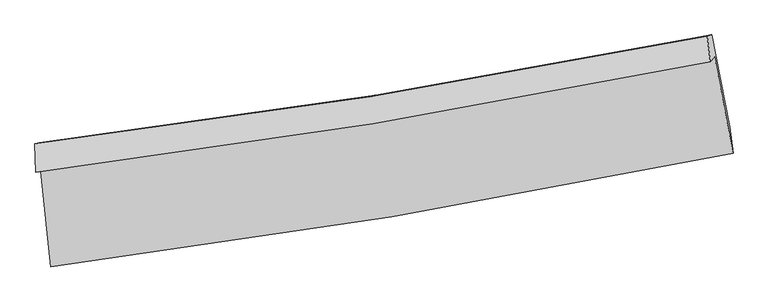
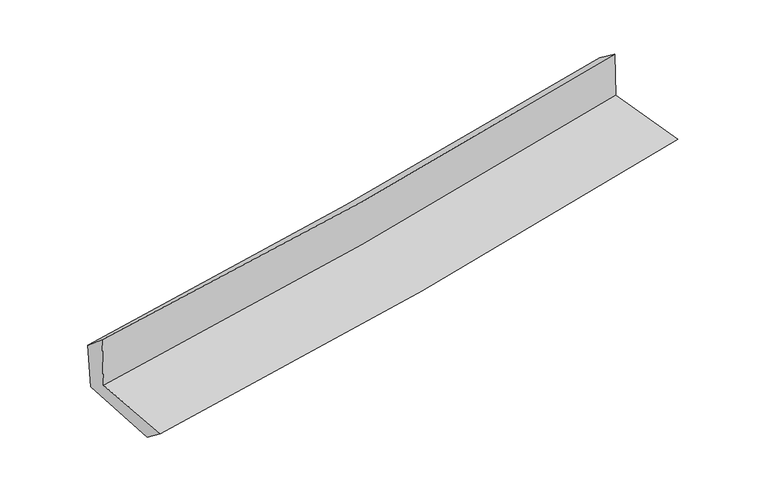
"""IFC4 building model written with IfcOpenShell, lengths in millimetres: proxy geometry."""

from ifc_helpers import new_model, si_unit, frame, origin, place, context, project, spatial, source, transform, mapped, element, save
from ifc_brep_helpers import plane_surface, spline_curve, spline_surface, advanced_brep


def generic_models_495edd54(model_context):
    return source(origin(), model_context, "Body", "AdvancedBrep", [
        advanced_brep(
        [(-2290.8615328, -1859.9924377, 1694.3124672), (-2222.5715119, -2533.9285786, 1670.1013216), (2371.3875381, -1767.7619678, 2091.746556), (2246.3466032, -1119.0436976, 2118.5773889), (-2322.935974, -1895.945467, 2114.5109921), (2218.3550948, -1152.0323284, 2496.2698076), (-2328.0857225, -1705.893523, 1954.8523986), (2197.4301042, -981.3380838, 2371.1682761), (-2297.6305361, -1696.9757493, 1585.1185559), (2228.6473298, -971.9858769, 2007.1773905), (-2228.2336665, -2358.7924764, 1533.7893648), (2348.7667183, -1591.06762, 1972.8444714)],
        [
            (0, 1),
            (1, 2, spline_curve(3, [(-2222.5715119, -2533.9285786, 1670.1013216), (-1454.12172895, -2435.03941551, 1735.970759934), (-688.725509906, -2322.088150205, 1803.880173986), (842.647987417, -2066.947101566, 1944.392634399), (1608.571451673, -1924.509496618, 2017.031631624), (2371.3875381, -1767.7619678, 2091.746556)], [4, 2, 4], [0.0, 7.590824037200514, 15.248243913029338])),
            (2, 3),
            (3, 0, spline_curve(3, [(2246.3466032, -1119.0436976, 2118.5773889), (1491.685395826, -1273.675150505, 2046.107940112), (734.592205468, -1412.939452939, 1974.366558925), (-777.852624038, -1659.656235137, 1832.957527184), (-1533.162145844, -1767.37484607, 1763.277267975), (-2290.8615328, -1859.9924377, 1694.3124672)], [4, 2, 4], [0.0, 7.657419875828824, 15.248243913029338])),
            (4, 0),
            (3, 5),
            (5, 4, spline_curve(3, [(2218.3550948, -1152.0323284, 2496.2698076), (1463.710202932, -1306.646244521, 2422.283997539), (706.281912069, -1446.151012643, 2353.36093039), (-807.529980867, -1693.860395905, 2226.19566926), (-1563.865379492, -1802.326674205, 2167.865797975), (-2322.935974, -1895.945467, 2114.5109921)], [4, 2, 4], [0.0, 7.609027219843939, 15.151879467299246])),
            (6, 4),
            (5, 7),
            (7, 6, spline_curve(3, [(2197.4301042, -981.3380838, 2371.1682761), (1443.854630685, -1131.697741876, 2301.601845137), (688.284825103, -1267.457407877, 2231.973852487), (-820.254988806, -1508.723042377, 2093.200827213), (-1573.190458599, -1614.481856, 2024.0568608), (-2328.0857225, -1705.893523, 1954.8523986)], [4, 2, 4], [0.0, 7.596719457136325, 15.127370981303617])),
            (8, 6),
            (7, 9),
            (9, 8, spline_curve(3, [(2228.6473298, -971.9858769, 2007.1773905), (1475.6559221, -1122.080752558, 1928.385917844), (720.312814679, -1257.745125486, 1853.682780111), (-788.487201166, -1499.158506494, 1713.067304387), (-1541.903382456, -1605.157424456, 1647.084163915), (-2297.6305361, -1696.9757493, 1585.1185559)], [4, 2, 4], [0.0, 7.584923822985827, 15.10388229848979])),
            (10, 8),
            (9, 11),
            (11, 10, spline_curve(3, [(2348.7667183, -1591.06762, 1972.8444714), (1588.48717215, -1747.255124144, 1894.776870926), (825.25203219, -1889.544930541, 1819.005333563), (-700.465948227, -2145.212533335, 1672.693395112), (-1462.897603412, -2258.83101243, 1602.113230146), (-2228.2336665, -2358.7924764, 1533.7893648)], [4, 2, 4], [0.0, 7.6339799004224815, 15.201567817411345])),
            (1, 10),
            (11, 2),
        ],
        [
            spline_surface(3, 3, [[(-2290.8615328, -1859.9924377, 1694.3124672), (-1533.162145762, -1767.374846184, 1763.277267867), (-777.852624041, -1659.656235261, 1832.957527167), (734.592205471, -1412.939452814, 1974.366558942), (1491.685395711, -1273.67515038, 2046.1079402), (2246.3466032, -1119.0436976, 2118.5773889)], [(-2268.098192498, -2084.637817978, 1686.242085333), (-1506.815340182, -1989.929702572, 1754.17509855), (-748.143585985, -1880.46687357, 1823.26507614), (770.610799502, -1630.942002424, 1964.375250732), (1530.647414372, -1490.619932445, 2036.415837337), (2288.02691482, -1335.283121011, 2109.633777945)], [(-2245.334852202, -2309.283198322, 1678.171703467), (-1480.468534607, -2212.484559025, 1745.072929236), (-718.434548018, -2101.27751185, 1813.572625107), (806.629393444, -1848.944552004, 1954.383942515), (1569.609433072, -1707.564714477, 2026.72373444), (2329.70722648, -1551.522544389, 2100.690166955)], [(-2222.5715119, -2533.9285786, 1670.1013216), (-1454.121729027, -2435.039415412, 1735.970759919), (-688.725509962, -2322.088150159, 1803.88017408), (842.647987474, -2066.947101613, 1944.392634304), (1608.571451732, -1924.509496543, 2017.031631577), (2371.3875381, -1767.7619678, 2091.746556)]], [4, 4], [4, 2, 4], [0.0, 2.1856735011903075], [0.0, 7.590824037200514, 15.248243913029338]),
            spline_surface(3, 3, [[(-2322.935974, -1895.945467, 2114.5109921), (-1563.865379532, -1802.326674086, 2167.865797895), (-807.529980892, -1693.860395976, 2226.195669297), (706.281912094, -1446.151012571, 2353.360930353), (1463.710203044, -1306.64624448, 2422.283997449), (2218.3550948, -1152.0323284, 2496.2698076)], [(-2312.244493609, -1883.961123893, 1974.444817113), (-1553.630968284, -1790.676064778, 2033.002954532), (-797.637528624, -1682.459009053, 2095.116288568), (715.718676538, -1435.080492635, 2227.029473197), (1473.035267273, -1295.655879767, 2296.89197835), (2227.685597606, -1141.036118121, 2370.372334684)], [(-2301.553013191, -1871.976780807, 1834.378642187), (-1543.39655701, -1779.025455492, 1898.14011123), (-787.745076309, -1671.057622183, 1964.036907896), (725.155441028, -1424.009972751, 2100.698016098), (1482.360331483, -1284.665515092, 2171.4999593), (2237.016100394, -1130.039907879, 2244.474861816)], [(-2290.8615328, -1859.9924377, 1694.3124672), (-1533.162145762, -1767.374846184, 1763.277267867), (-777.852624041, -1659.656235261, 1832.957527167), (734.592205471, -1412.939452814, 1974.366558942), (1491.685395711, -1273.67515038, 2046.1079402), (2246.3466032, -1119.0436976, 2118.5773889)]], [4, 4], [4, 2, 4], [0.0, 1.2749520421525564], [0.0, 7.542852247455307, 15.151879467299246]),
            spline_surface(3, 3, [[(-2328.0857225, -1705.893523, 1954.8523986), (-1573.190458599, -1614.481856085, 2024.056860693), (-820.254988731, -1508.723042418, 2093.200827199), (688.284825027, -1267.457407835, 2231.973852501), (1443.854630711, -1131.697741751, 2301.601845163), (2197.4301042, -981.3380838, 2371.1682761)], [(-2326.369139658, -1769.24417102, 2008.071929776), (-1570.082098901, -1677.096795439, 2071.993173103), (-816.013319462, -1570.435493596, 2137.532441227), (694.283854038, -1327.021942739, 2272.43621178), (1450.473154828, -1190.01390934, 2341.829229269), (2204.405101072, -1038.236165346, 2412.868786611)], [(-2324.652556842, -1832.59481898, 2061.291460924), (-1566.97373923, -1739.711734732, 2119.929485485), (-811.77165016, -1632.147944798, 2181.86405527), (700.282883083, -1386.586477668, 2312.898571074), (1457.091678927, -1248.330076891, 2382.056613343), (2211.380097928, -1095.134246854, 2454.569297089)], [(-2322.935974, -1895.945467, 2114.5109921), (-1563.865379532, -1802.326674086, 2167.865797895), (-807.529980892, -1693.860395976, 2226.195669297), (706.281912094, -1446.151012571, 2353.360930353), (1463.710203044, -1306.64624448, 2422.283997449), (2218.3550948, -1152.0323284, 2496.2698076)]], [4, 4], [4, 2, 4], [0.0, 0.7298256297783111], [0.0, 7.530651524167292, 15.127370981303617]),
            spline_surface(3, 3, [[(-2297.6305361, -1696.9757493, 1585.1185559), (-1541.90338234, -1605.157424385, 1647.084163961), (-788.487201133, -1499.158506423, 1713.067304399), (720.312814647, -1257.745125557, 1853.682780099), (1475.655922048, -1122.080752656, 1928.385917905), (2228.6473298, -971.9858769, 2007.1773905)], [(-2307.7822649, -1699.94834054, 1708.363170121), (-1552.33240776, -1608.265568292, 1772.741729526), (-799.076463663, -1502.346685081, 1839.77847867), (709.63681811, -1260.982552976, 1979.779804237), (1465.055491597, -1125.286415673, 2052.791227001), (2218.241587928, -975.103279185, 2128.50768571)], [(-2317.9339937, -1702.92093176, 1831.607784379), (-1562.761433179, -1611.373712178, 1898.399295127), (-809.665726201, -1505.53486376, 1966.489652929), (698.960821564, -1264.219980416, 2105.876828363), (1454.455061162, -1128.492078735, 2177.196536067), (2207.835846072, -978.220681515, 2249.83798089)], [(-2328.0857225, -1705.893523, 1954.8523986), (-1573.190458599, -1614.481856085, 2024.056860693), (-820.254988731, -1508.723042418, 2093.200827199), (688.284825027, -1267.457407835, 2231.973852501), (1443.854630711, -1131.697741751, 2301.601845163), (2197.4301042, -981.3380838, 2371.1682761)]], [4, 4], [4, 2, 4], [0.0, 1.2489022147241275], [0.0, 7.518958475503963, 15.10388229848979]),
            spline_surface(3, 3, [[(-2228.2336665, -2358.7924764, 1533.7893648), (-1462.897603313, -2258.831012497, 1602.113230045), (-700.465948218, -2145.212533322, 1672.693395055), (825.25203218, -1889.544930555, 1819.005333621), (1588.487172034, -1747.25512426, 1894.776870847), (2348.7667183, -1591.06762, 1972.8444714)], [(-2251.36595638, -2138.186900689, 1550.899095163), (-1489.232863002, -2040.939816448, 1617.103541347), (-729.806365842, -1929.861191054, 1686.151364835), (790.272293017, -1678.944995587, 1830.564482446), (1550.87675538, -1538.863667076, 1905.979886525), (2308.726922141, -1384.707038984, 1984.288777759)], [(-2274.49824622, -1917.581325011, 1568.008825537), (-1515.568122652, -1823.048620434, 1632.093852659), (-759.146783509, -1714.509848691, 1699.609334619), (755.29255381, -1468.345060525, 1842.123631274), (1513.266338702, -1330.47220984, 1917.182902227), (2268.687125959, -1178.346457916, 1995.733084141)], [(-2297.6305361, -1696.9757493, 1585.1185559), (-1541.90338234, -1605.157424385, 1647.084163961), (-788.487201133, -1499.158506423, 1713.067304399), (720.312814647, -1257.745125557, 1853.682780099), (1475.655922048, -1122.080752656, 1928.385917905), (2228.6473298, -971.9858769, 2007.1773905)]], [4, 4], [4, 2, 4], [0.0, 2.1233830603895565], [0.0, 7.567587916988863, 15.201567817411345]),
            spline_surface(3, 3, [[(-2222.5715119, -2533.9285786, 1670.1013216), (-1454.121729027, -2435.039415412, 1735.970759919), (-688.725509962, -2322.088150159, 1803.88017408), (842.647987474, -2066.947101613, 1944.392634304), (1608.571451732, -1924.509496543, 2017.031631577), (2371.3875381, -1767.7619678, 2091.746556)], [(-2224.458896755, -2475.54987788, 1624.664002693), (-1457.047020444, -2376.30328112, 1691.351583321), (-692.638989401, -2263.129611204, 1760.151247757), (836.849335689, -2007.813044585, 1902.596867429), (1601.876691832, -1865.424705768, 1976.280044659), (2363.847264832, -1708.863851853, 2052.112527792)], [(-2226.346281645, -2417.17117712, 1579.226683707), (-1459.972311896, -2317.567146789, 1646.732406643), (-696.552468779, -2204.171072276, 1716.422321378), (831.050683965, -1948.678987583, 1860.801100496), (1595.181931935, -1806.339915034, 1935.528457764), (2356.306991568, -1649.965735947, 2012.478499608)], [(-2228.2336665, -2358.7924764, 1533.7893648), (-1462.897603313, -2258.831012497, 1602.113230045), (-700.465948218, -2145.212533322, 1672.693395055), (825.25203218, -1889.544930555, 1819.005333621), (1588.487172034, -1747.25512426, 1894.776870847), (2348.7667183, -1591.06762, 1972.8444714)]], [4, 4], [4, 2, 4], [0.0, 0.7191179698240805], [0.0, 7.627271617129462, 15.321458834897186]),
            plane_surface(frame((2268.4888981, -1263.8715958, 2176.2973151), z_axis=(0.9787313030258248, 0.1849828932602508, 0.08869253451355288), x_axis=(-0.08542208588817087, -0.025591160054087802, 0.9960161443318075))),
            plane_surface(frame((-2281.719824, -2008.5880387, 1758.78085), z_axis=(-0.9916843082627136, -0.09746846712894655, -0.08403648410682536), x_axis=(-0.10074952786987172, 0.9942704234610373, 0.03571914983041341))),
        ],
        [
            (0, [[1, 2, 3, 4]]),
            (1, [[5, -4, 6, 7]]),
            (2, [[8, -7, 9, 10]]),
            (3, [[11, -10, 12, 13]]),
            (4, [[14, -13, 15, 16]]),
            (5, [[17, -16, 18, -2]]),
            (6, [[-12, -9, -6, -3, -18, -15]]),
            (7, [[-1, -5, -8, -11, -14, -17]]),
        ],
    ),
    ])


if __name__ == "__main__":
    model = new_model("IFC4")
    model_context = context("Model", 3, world=origin())
    ifc_project = project(units=[si_unit("LENGTHUNIT", "METRE", prefix="MILLI")], contexts=[model_context])
    site = spatial("IfcSite", under=ifc_project)
    building = spatial("IfcBuilding", under=site)
    placement = place(None, origin())
    generic_models_shape = generic_models_495edd54(model_context)
    element("IfcBuildingElementProxy", 1, Name="Generic Models", at=placement, inside=building, context=model_context, shape_type="MappedRepresentation", body=[
        mapped(generic_models_shape, transform((0.0, 0.0, 0.0), x_axis=(1.0, 0.0, 0.0), y_axis=(0.0, 1.0, 0.0), z_axis=(0.0, 0.0, 1.0))),
    ])
    save(model, "model.ifc")
